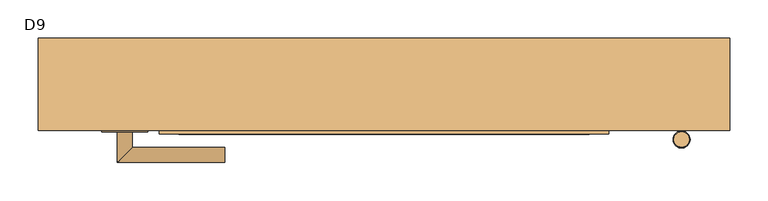
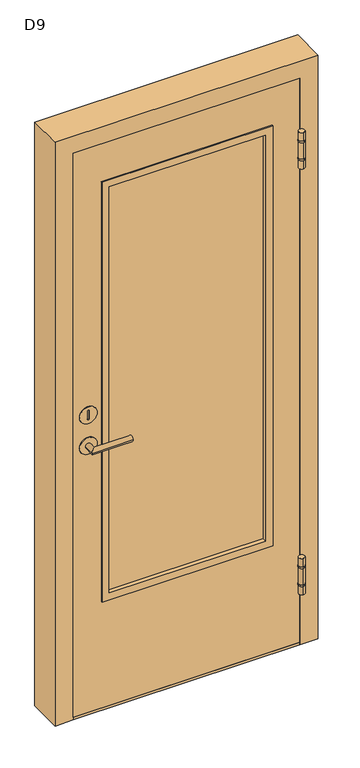
"""IFC4 building model written with IfcOpenShell, lengths in millimetres: door geometry, D9."""

from ifc_helpers import new_model, si_unit, point, frame, frame_2d, origin, origin_with_axes, place, context, project, spatial, polyline, circle_curve, ellipse_curve, trimmed, segment, composite_curve, outline, extrude, faceted_brep, source, transform, mapped, element, save
from ifc_brep_helpers import plane_surface, cylinder_surface, advanced_brep


def d9_f269e4dd(model_context):
    return source(origin(), model_context, "Body", "SolidModel", [
        advanced_brep(
        [(-340.1499435, -130.0, 974.5), (-360.1499435, -130.0, 974.5), (-340.1499435, -150.0, 974.5), (-360.1499435, -170.0, 974.5), (-220.1499435, -150.0, 974.5), (-220.1499435, -170.0, 974.5)],
        [
            (0, 1, circle_curve(frame((-350.1499435, -130.0, 974.5), z_axis=(0.0, 1.0, 0.0), x_axis=(-1.0, 0.0, 0.0)), 10.0)),
            (1, 0, circle_curve(frame((-350.1499435, -130.0, 974.5), z_axis=(0.0, 1.0, 0.0), x_axis=(-1.0, 0.0, 0.0)), 10.0)),
            (0, 2),
            (2, 3, ellipse_curve(frame((-350.1499435, -160.0, 974.5), z_axis=(-0.7071067811865546, 0.7071067811865405, 0.0), x_axis=(0.7071067811865405, 0.7071067811865545, 0.0)), 14.1421356, 10.0)),
            (3, 1),
            (3, 2, ellipse_curve(frame((-350.1499435, -160.0, 974.5), z_axis=(-0.7071067811865546, 0.7071067811865405, 0.0), x_axis=(0.7071067811865405, 0.7071067811865545, 0.0)), 14.1421356, 10.0)),
            (4, 5, circle_curve(frame((-220.1499435, -160.0, 974.5), z_axis=(1.0, 0.0, 0.0), x_axis=(0.0, -1.0, 0.0)), 10.0)),
            (5, 4, circle_curve(frame((-220.1499435, -160.0, 974.5), z_axis=(1.0, 0.0, 0.0), x_axis=(0.0, -1.0, 0.0)), 10.0)),
            (2, 4),
            (5, 3),
        ],
        [
            plane_surface(frame((-350.1499435, -130.0, 1030.0), z_axis=(0.0, 1.0, 0.0), x_axis=(0.0, 0.0, -1.0))),
            cylinder_surface(frame((-350.1499435, -130.0, 974.5), z_axis=(0.0, 1.0, 0.0), x_axis=(-1.0, 0.0, 0.0)), 10.0),
            plane_surface(frame((-220.1499435, -160.0, 1030.0), z_axis=(1.0, 0.0, 0.0), x_axis=(0.0, 0.0, -1.0))),
            cylinder_surface(frame((-350.1499435, -160.0, 974.5), z_axis=(-1.0, 0.0, 0.0), x_axis=(0.0, -1.0, 0.0)), 10.0),
        ],
        [
            (0, [[1, 2]]),
            (1, [[-1, 3, 4, 5]]),
            (1, [[-2, -5, 6, -3]]),
            (2, [[7, 8]]),
            (3, [[-4, 9, -8, 10]]),
            (3, [[-6, -10, -7, -9]]),
        ],
    ),
        extrude(outline(composite_curve([segment(trimmed(circle_curve(frame_2d((1085.5, -350.1499435)), 30.0), [point((1085.5, -380.1499435))], [point((1085.5, -320.1499435))], False, "CARTESIAN"), True, "CONTINUOUS"), segment(trimmed(circle_curve(frame_2d((1085.5, -350.1499435)), 30.0), [point((1085.5, -320.1499435))], [point((1085.5, -380.1499435))], False, "CARTESIAN"), True, "CONTINUOUS")], self_intersect=False), holes=[composite_curve([segment(polyline([(1099.6538884, -347.1499435), (1072.5, -347.1499435)]), True, "CONTINUOUS"), segment(trimmed(circle_curve(frame_2d((1072.5, -350.1499435)), 3.0), [point((1072.5, -347.1499435))], [point((1072.5, -353.1499435))], True, "CARTESIAN"), True, "CONTINUOUS"), segment(polyline([(1072.5, -353.1499435), (1099.6538884, -353.1499435)]), True, "CONTINUOUS"), segment(trimmed(circle_curve(frame_2d((1099.6538884, -350.1499435)), 3.0), [point((1099.6538884, -353.1499435))], [point((1099.6538884, -347.1499435))], True, "CARTESIAN"), True, "CONTINUOUS")], self_intersect=False)]), frame((0.0, -130.0, 0.0), z_axis=(0.0, 1.0, 0.0), x_axis=(0.0, 0.0, 1.0)), (0.0, 0.0, 1.0), 2.0),
        extrude(outline(composite_curve([segment(trimmed(circle_curve(frame_2d((974.5, -350.1499435)), 30.0), [point((974.5, -380.1499435))], [point((974.5, -320.1499435))], False, "CARTESIAN"), True, "CONTINUOUS"), segment(trimmed(circle_curve(frame_2d((974.5, -350.1499435)), 30.0), [point((974.5, -320.1499435))], [point((974.5, -380.1499435))], False, "CARTESIAN"), True, "CONTINUOUS")], self_intersect=False)), frame((0.0, -130.0, 0.0), z_axis=(0.0, 1.0, 0.0), x_axis=(0.0, 0.0, 1.0)), (0.0, 0.0, 1.0), 2.0),
        advanced_brep(
        [(-340.1499435, -66.0, 974.5), (-360.1499435, -66.0, 974.5), (-360.1499435, -26.0, 974.5), (-340.1499435, -46.0, 974.5), (-220.1499435, -46.0, 974.5), (-220.1499435, -26.0, 974.5)],
        [
            (0, 1, circle_curve(frame((-350.1499435, -66.0, 974.5), z_axis=(0.0, -1.0, 0.0), x_axis=(-1.0, 0.0, 0.0)), 10.0)),
            (1, 0, circle_curve(frame((-350.1499435, -66.0, 974.5), z_axis=(0.0, -1.0, 0.0), x_axis=(-1.0, 0.0, 0.0)), 10.0)),
            (1, 2),
            (2, 3, ellipse_curve(frame((-350.1499435, -36.0, 974.5), z_axis=(-0.7071067811865427, -0.7071067811865523, 0.0), x_axis=(0.7071067811865522, -0.7071067811865427, 0.0)), 14.1421356, 10.0)),
            (3, 0),
            (3, 2, ellipse_curve(frame((-350.1499435, -36.0, 974.5), z_axis=(-0.7071067811865427, -0.7071067811865523, 0.0), x_axis=(0.7071067811865522, -0.7071067811865427, 0.0)), 14.1421356, 10.0)),
            (4, 5, circle_curve(frame((-220.1499435, -36.0, 974.5), z_axis=(1.0, 0.0, 0.0), x_axis=(0.0, 1.0, 0.0)), 10.0)),
            (5, 4, circle_curve(frame((-220.1499435, -36.0, 974.5), z_axis=(1.0, 0.0, 0.0), x_axis=(0.0, 1.0, 0.0)), 10.0)),
            (2, 5),
            (4, 3),
        ],
        [
            plane_surface(frame((-350.1499435, -66.0, 1030.0), z_axis=(0.0, -1.0, 0.0), x_axis=(0.0, 0.0, -1.0))),
            cylinder_surface(frame((-350.1499435, -66.0, 974.5), z_axis=(0.0, -1.0, 0.0), x_axis=(-1.0, 0.0, 0.0)), 10.0),
            plane_surface(frame((-220.1499435, -36.0, 1030.0), z_axis=(1.0, 0.0, 0.0), x_axis=(0.0, 0.0, -1.0))),
            cylinder_surface(frame((-350.1499435, -36.0, 974.5), z_axis=(-1.0, 0.0, 0.0), x_axis=(0.0, 1.0, 0.0)), 10.0),
        ],
        [
            (0, [[1, 2]]),
            (1, [[3, 4, 5, -2]]),
            (1, [[-5, 6, -3, -1]]),
            (2, [[7, 8]]),
            (3, [[9, -7, 10, -4]]),
            (3, [[-10, -8, -9, -6]]),
        ],
    ),
        extrude(outline(composite_curve([segment(trimmed(circle_curve(frame_2d((1085.5, -350.1499435)), 30.0), [point((1085.5, -380.1499435))], [point((1085.5, -320.1499435))], False, "CARTESIAN"), True, "CONTINUOUS"), segment(trimmed(circle_curve(frame_2d((1085.5, -350.1499435)), 30.0), [point((1085.5, -320.1499435))], [point((1085.5, -380.1499435))], False, "CARTESIAN"), True, "CONTINUOUS")], self_intersect=False), holes=[composite_curve([segment(polyline([(1099.6538884, -347.1499435), (1072.5, -347.1499435)]), True, "CONTINUOUS"), segment(trimmed(circle_curve(frame_2d((1072.5, -350.1499435)), 3.0), [point((1072.5, -347.1499435))], [point((1072.5, -353.1499435))], True, "CARTESIAN"), True, "CONTINUOUS"), segment(polyline([(1072.5, -353.1499435), (1099.6538884, -353.1499435)]), True, "CONTINUOUS"), segment(trimmed(circle_curve(frame_2d((1099.6538884, -350.1499435)), 3.0), [point((1099.6538884, -353.1499435))], [point((1099.6538884, -347.1499435))], True, "CARTESIAN"), True, "CONTINUOUS")], self_intersect=False)]), frame((0.0, -68.0, 0.0), z_axis=(0.0, 1.0, 0.0), x_axis=(0.0, 0.0, 1.0)), (0.0, 0.0, 1.0), 2.0),
        extrude(outline(composite_curve([segment(trimmed(circle_curve(frame_2d((974.5, -350.1499435)), 30.0), [point((974.5, -380.1499435))], [point((974.5, -320.1499435))], False, "CARTESIAN"), True, "CONTINUOUS"), segment(trimmed(circle_curve(frame_2d((974.5, -350.1499435)), 30.0), [point((974.5, -320.1499435))], [point((974.5, -380.1499435))], False, "CARTESIAN"), True, "CONTINUOUS")], self_intersect=False)), frame((0.0, -68.0, 0.0), z_axis=(0.0, 1.0, 0.0), x_axis=(0.0, 0.0, 1.0)), (0.0, 0.0, 1.0), 2.0),
        extrude(outline(polyline([(2047.5, 374.8500565), (2047.5, -400.1499435), (10.0, -400.1499435), (10.0, 374.8500565), (2047.5, 374.8500565)]), holes=[polyline([(1897.5, -290.1499435), (1897.5, 264.8500565), (410.0, 264.8500565), (410.0, -290.1499435), (1897.5, -290.1499435)])]), frame((0.0, -128.0, 0.0), z_axis=(0.0, 1.0, 0.0), x_axis=(0.0, 0.0, 1.0)), (0.0, 0.0, 1.0), 60.0),
        faceted_brep([(-305.1499435, -128.0, 1912.5), (-305.1499435, -128.0, 395.0), (-305.1499435, -133.0, 395.0), (-305.1499435, -133.0, 1912.5), (-290.1499435, -118.0, 1897.5), (-290.1499435, -118.0, 410.0), (-290.1499435, -128.0, 410.0), (-290.1499435, -128.0, 1897.5), (-280.1499435, -133.0, 1887.5), (-280.1499435, -133.0, 420.0), (-280.1499435, -118.0, 420.0), (-280.1499435, -118.0, 1887.5), (279.8500565, -128.0, 395.0), (279.8500565, -133.0, 395.0), (264.8500565, -118.0, 410.0), (264.8500565, -128.0, 410.0), (254.8500565, -133.0, 420.0), (254.8500565, -118.0, 420.0), (279.8500565, -128.0, 1912.5), (279.8500565, -133.0, 1912.5), (264.8500565, -118.0, 1897.5), (264.8500565, -128.0, 1897.5), (254.8500565, -133.0, 1887.5), (254.8500565, -118.0, 1887.5)], [[[0, 1, 2, 3]], [[4, 5, 6, 7]], [[8, 9, 10, 11]], [[1, 12, 13, 2]], [[5, 14, 15, 6]], [[9, 16, 17, 10]], [[12, 18, 19, 13]], [[14, 20, 21, 15]], [[16, 22, 23, 17]], [[18, 0, 3, 19]], [[1, 0, 18, 12], [7, 6, 15, 21]], [[20, 4, 7, 21]], [[5, 4, 20, 14], [11, 10, 17, 23]], [[22, 8, 11, 23]], [[3, 2, 13, 19], [9, 8, 22, 16]]]),
        faceted_brep([(-280.1499435, -78.0, 1887.5), (-280.1499435, -78.0, 420.0), (-280.1499435, -63.0, 420.0), (-280.1499435, -63.0, 1887.5), (-290.1499435, -68.0, 1897.5), (-290.1499435, -68.0, 410.0), (-290.1499435, -78.0, 410.0), (-290.1499435, -78.0, 1897.5), (-305.1499435, -63.0, 1912.5), (-305.1499435, -63.0, 395.0), (-305.1499435, -68.0, 395.0), (-305.1499435, -68.0, 1912.5), (254.8500565, -78.0, 420.0), (254.8500565, -63.0, 420.0), (264.8500565, -68.0, 410.0), (264.8500565, -78.0, 410.0), (279.8500565, -63.0, 395.0), (279.8500565, -68.0, 395.0), (254.8500565, -78.0, 1887.5), (254.8500565, -63.0, 1887.5), (264.8500565, -68.0, 1897.5), (264.8500565, -78.0, 1897.5), (279.8500565, -63.0, 1912.5), (279.8500565, -68.0, 1912.5)], [[[0, 1, 2, 3]], [[4, 5, 6, 7]], [[8, 9, 10, 11]], [[1, 12, 13, 2]], [[5, 14, 15, 6]], [[9, 16, 17, 10]], [[12, 18, 19, 13]], [[14, 20, 21, 15]], [[16, 22, 23, 17]], [[9, 8, 22, 16], [3, 2, 13, 19]], [[18, 0, 3, 19]], [[7, 6, 15, 21], [1, 0, 18, 12]], [[20, 4, 7, 21]], [[11, 10, 17, 23], [5, 4, 20, 14]], [[22, 8, 11, 23]]]),
        extrude(outline(polyline([(264.8500565, -78.0), (264.8500565, -118.0), (-290.1499435, -118.0), (-290.1499435, -78.0), (264.8500565, -78.0)])), frame((0.0, 0.0, 410.0), z_axis=(0.0, 0.0, 1.0), x_axis=(1.0, 0.0, 0.0)), (0.0, 0.0, 1.0), 1487.5),
        advanced_brep(
        [(374.8500565, -130.0, 326.0), (374.8500565, -150.0, 326.0), (374.8500565, -130.0, 195.0), (374.8500565, -150.0, 195.0), (374.8500565, -130.0, 225.5), (374.8500565, -150.0, 225.5), (374.8500565, -130.0, 230.5), (374.8500565, -130.0, 290.5), (374.8500565, -150.0, 290.5), (374.8500565, -150.0, 230.5), (374.8500565, -150.0, 295.5), (374.8500565, -130.0, 295.5), (363.8500565, -140.0, 230.5), (385.8500565, -140.0, 230.5), (363.8500565, -140.0, 225.5), (385.8500565, -140.0, 225.5), (363.8500565, -140.0, 290.5), (385.8500565, -140.0, 290.5), (363.8500565, -140.0, 295.5), (385.8500565, -140.0, 295.5)],
        [
            (0, 1, circle_curve(frame((374.8500565, -140.0, 326.0), z_axis=(0.0, 0.0, 1.0), x_axis=(0.0, -1.0, 0.0)), 10.0)),
            (1, 0, circle_curve(frame((374.8500565, -140.0, 326.0), z_axis=(0.0, 0.0, 1.0), x_axis=(0.0, -1.0, 0.0)), 10.0)),
            (2, 3, circle_curve(frame((374.8500565, -140.0, 195.0), z_axis=(0.0, 0.0, -1.0), x_axis=(0.0, -1.0, 0.0)), 10.0)),
            (3, 2, circle_curve(frame((374.8500565, -140.0, 195.0), z_axis=(0.0, 0.0, -1.0), x_axis=(0.0, -1.0, 0.0)), 10.0)),
            (2, 4),
            (4, 5, circle_curve(frame((374.8500565, -140.0, 225.5), z_axis=(0.0, 0.0, -1.0), x_axis=(0.0, -1.0, 0.0)), 10.0)),
            (5, 3),
            (6, 7),
            (7, 8, circle_curve(frame((374.8500565, -140.0, 290.5), z_axis=(0.0, 0.0, -1.0), x_axis=(0.0, -1.0, 0.0)), 10.0)),
            (8, 9),
            (9, 6, circle_curve(frame((374.8500565, -140.0, 230.5), z_axis=(0.0, 0.0, 1.0), x_axis=(0.0, -1.0, 0.0)), 10.0)),
            (1, 10),
            (10, 11, circle_curve(frame((374.8500565, -140.0, 295.5), z_axis=(0.0, 0.0, 1.0), x_axis=(0.0, -1.0, 0.0)), 10.0)),
            (11, 0),
            (11, 10, circle_curve(frame((374.8500565, -140.0, 295.5), z_axis=(0.0, 0.0, 1.0), x_axis=(0.0, -1.0, 0.0)), 10.0)),
            (5, 4, circle_curve(frame((374.8500565, -140.0, 225.5), z_axis=(0.0, 0.0, -1.0), x_axis=(0.0, -1.0, 0.0)), 10.0)),
            (8, 7, circle_curve(frame((374.8500565, -140.0, 290.5), z_axis=(0.0, 0.0, -1.0), x_axis=(0.0, -1.0, 0.0)), 10.0)),
            (6, 9, circle_curve(frame((374.8500565, -140.0, 230.5), z_axis=(0.0, 0.0, 1.0), x_axis=(0.0, -1.0, 0.0)), 10.0)),
            (12, 13, circle_curve(frame((374.8500565, -140.0, 230.5), z_axis=(0.0, 0.0, 1.0), x_axis=(1.0, 0.0, 0.0)), 11.0)),
            (13, 12, circle_curve(frame((374.8500565, -140.0, 230.5), z_axis=(0.0, 0.0, 1.0), x_axis=(1.0, 0.0, 0.0)), 11.0)),
            (14, 15, circle_curve(frame((374.8500565, -140.0, 225.5), z_axis=(0.0, 0.0, -1.0), x_axis=(1.0, 0.0, 0.0)), 11.0)),
            (15, 14, circle_curve(frame((374.8500565, -140.0, 225.5), z_axis=(0.0, 0.0, -1.0), x_axis=(1.0, 0.0, 0.0)), 11.0)),
            (13, 15),
            (14, 12),
            (16, 17, circle_curve(frame((374.8500565, -140.0, 290.5), z_axis=(0.0, 0.0, -1.0), x_axis=(1.0, 0.0, 0.0)), 11.0)),
            (17, 16, circle_curve(frame((374.8500565, -140.0, 290.5), z_axis=(0.0, 0.0, -1.0), x_axis=(1.0, 0.0, 0.0)), 11.0)),
            (18, 19, circle_curve(frame((374.8500565, -140.0, 295.5), z_axis=(0.0, 0.0, 1.0), x_axis=(1.0, 0.0, 0.0)), 11.0)),
            (19, 18, circle_curve(frame((374.8500565, -140.0, 295.5), z_axis=(0.0, 0.0, 1.0), x_axis=(1.0, 0.0, 0.0)), 11.0)),
            (16, 18),
            (19, 17),
        ],
        [
            plane_surface(frame((374.8500565, -140.0, 326.0), z_axis=(0.0, 0.0, 1.0), x_axis=(1.0, 0.0, 0.0))),
            plane_surface(frame((374.8500565, -140.0, 195.0), z_axis=(0.0, 0.0, -1.0), x_axis=(1.0, 0.0, 0.0))),
            cylinder_surface(frame((374.8500565, -140.0, 326.0), z_axis=(0.0, 0.0, 1.0), x_axis=(0.0, -1.0, 0.0)), 10.0),
            plane_surface(frame((385.8500565, -140.0, 230.5), z_axis=(0.0, 0.0, 1.0), x_axis=(0.0, -1.0, 0.0))),
            plane_surface(frame((385.8500565, -140.0, 225.5), z_axis=(0.0, 0.0, -1.0), x_axis=(0.0, 1.0, 0.0))),
            cylinder_surface(frame((374.8500565, -140.0, 225.5), z_axis=(0.0, 0.0, 1.0), x_axis=(1.0, 0.0, 0.0)), 11.0),
            plane_surface(frame((385.8500565, -140.0, 290.5), z_axis=(0.0, 0.0, -1.0), x_axis=(0.0, 1.0, 0.0))),
            plane_surface(frame((385.8500565, -140.0, 295.5), z_axis=(0.0, 0.0, 1.0), x_axis=(0.0, -1.0, 0.0))),
            cylinder_surface(frame((374.8500565, -140.0, 295.5), z_axis=(0.0, 0.0, -1.0), x_axis=(1.0, 0.0, 0.0)), 11.0),
        ],
        [
            (0, [[1, 2]]),
            (1, [[3, 4]]),
            (2, [[5, 6, 7, -3]]),
            (2, [[8, 9, 10, 11]]),
            (2, [[12, 13, 14, -2]]),
            (2, [[-14, 15, -12, -1]]),
            (2, [[-7, 16, -5, -4]]),
            (2, [[-10, 17, -8, 18]]),
            (3, [[19, 20], [-18, -11]]),
            (4, [[21, 22], [-16, -6]]),
            (5, [[23, -21, 24, -20]]),
            (5, [[-24, -22, -23, -19]]),
            (6, [[25, 26], [-17, -9]]),
            (7, [[27, 28], [-15, -13]]),
            (8, [[29, -28, 30, -25]]),
            (8, [[-30, -27, -29, -26]]),
        ],
    ),
        advanced_brep(
        [(374.8500565, -130.0, 1734.0), (374.8500565, -150.0, 1734.0), (374.8500565, -130.0, 1865.0), (374.8500565, -150.0, 1865.0), (374.8500565, -130.0, 1834.5), (374.8500565, -150.0, 1834.5), (374.8500565, -130.0, 1829.5), (374.8500565, -130.0, 1769.5), (374.8500565, -150.0, 1769.5), (374.8500565, -150.0, 1829.5), (374.8500565, -150.0, 1764.5), (374.8500565, -130.0, 1764.5), (385.8500565, -140.0, 1829.5), (363.8500565, -140.0, 1829.5), (385.8500565, -140.0, 1834.5), (363.8500565, -140.0, 1834.5), (385.8500565, -140.0, 1769.5), (363.8500565, -140.0, 1769.5), (385.8500565, -140.0, 1764.5), (363.8500565, -140.0, 1764.5)],
        [
            (0, 1, circle_curve(frame((374.8500565, -140.0, 1734.0), z_axis=(0.0, 0.0, -1.0), x_axis=(0.0, -1.0, 0.0)), 10.0)),
            (1, 0, circle_curve(frame((374.8500565, -140.0, 1734.0), z_axis=(0.0, 0.0, -1.0), x_axis=(0.0, -1.0, 0.0)), 10.0)),
            (2, 3, circle_curve(frame((374.8500565, -140.0, 1865.0), z_axis=(0.0, 0.0, 1.0), x_axis=(0.0, -1.0, 0.0)), 10.0)),
            (3, 2, circle_curve(frame((374.8500565, -140.0, 1865.0), z_axis=(0.0, 0.0, 1.0), x_axis=(0.0, -1.0, 0.0)), 10.0)),
            (2, 4),
            (4, 5, circle_curve(frame((374.8500565, -140.0, 1834.5), z_axis=(0.0, 0.0, 1.0), x_axis=(0.0, -1.0, 0.0)), 10.0)),
            (5, 3),
            (6, 7),
            (7, 8, circle_curve(frame((374.8500565, -140.0, 1769.5), z_axis=(0.0, 0.0, 1.0), x_axis=(0.0, -1.0, 0.0)), 10.0)),
            (8, 9),
            (9, 6, circle_curve(frame((374.8500565, -140.0, 1829.5), z_axis=(0.0, 0.0, -1.0), x_axis=(0.0, -1.0, 0.0)), 10.0)),
            (1, 10),
            (10, 11, circle_curve(frame((374.8500565, -140.0, 1764.5), z_axis=(0.0, 0.0, -1.0), x_axis=(0.0, -1.0, 0.0)), 10.0)),
            (11, 0),
            (11, 10, circle_curve(frame((374.8500565, -140.0, 1764.5), z_axis=(0.0, 0.0, -1.0), x_axis=(0.0, -1.0, 0.0)), 10.0)),
            (5, 4, circle_curve(frame((374.8500565, -140.0, 1834.5), z_axis=(0.0, 0.0, 1.0), x_axis=(0.0, -1.0, 0.0)), 10.0)),
            (8, 7, circle_curve(frame((374.8500565, -140.0, 1769.5), z_axis=(0.0, 0.0, 1.0), x_axis=(0.0, -1.0, 0.0)), 10.0)),
            (6, 9, circle_curve(frame((374.8500565, -140.0, 1829.5), z_axis=(0.0, 0.0, -1.0), x_axis=(0.0, -1.0, 0.0)), 10.0)),
            (12, 13, circle_curve(frame((374.8500565, -140.0, 1829.5), z_axis=(0.0, 0.0, -1.0), x_axis=(-1.0, 0.0, 0.0)), 11.0)),
            (13, 12, circle_curve(frame((374.8500565, -140.0, 1829.5), z_axis=(0.0, 0.0, -1.0), x_axis=(-1.0, 0.0, 0.0)), 11.0)),
            (14, 15, circle_curve(frame((374.8500565, -140.0, 1834.5), z_axis=(0.0, 0.0, 1.0), x_axis=(-1.0, 0.0, 0.0)), 11.0)),
            (15, 14, circle_curve(frame((374.8500565, -140.0, 1834.5), z_axis=(0.0, 0.0, 1.0), x_axis=(-1.0, 0.0, 0.0)), 11.0)),
            (13, 15),
            (14, 12),
            (16, 17, circle_curve(frame((374.8500565, -140.0, 1769.5), z_axis=(0.0, 0.0, 1.0), x_axis=(-1.0, 0.0, 0.0)), 11.0)),
            (17, 16, circle_curve(frame((374.8500565, -140.0, 1769.5), z_axis=(0.0, 0.0, 1.0), x_axis=(-1.0, 0.0, 0.0)), 11.0)),
            (18, 19, circle_curve(frame((374.8500565, -140.0, 1764.5), z_axis=(0.0, 0.0, -1.0), x_axis=(-1.0, 0.0, 0.0)), 11.0)),
            (19, 18, circle_curve(frame((374.8500565, -140.0, 1764.5), z_axis=(0.0, 0.0, -1.0), x_axis=(-1.0, 0.0, 0.0)), 11.0)),
            (16, 18),
            (19, 17),
        ],
        [
            plane_surface(frame((374.8500565, -140.0, 1734.0), z_axis=(0.0, 0.0, -1.0), x_axis=(-1.0, 0.0, 0.0))),
            plane_surface(frame((374.8500565, -140.0, 1865.0), z_axis=(0.0, 0.0, 1.0), x_axis=(-1.0, 0.0, 0.0))),
            cylinder_surface(frame((374.8500565, -140.0, 1734.0), z_axis=(0.0, 0.0, -1.0), x_axis=(0.0, -1.0, 0.0)), 10.0),
            plane_surface(frame((363.8500565, -140.0, 1829.5), z_axis=(0.0, 0.0, -1.0), x_axis=(0.0, -1.0, 0.0))),
            plane_surface(frame((363.8500565, -140.0, 1834.5), z_axis=(0.0, 0.0, 1.0), x_axis=(0.0, 1.0, 0.0))),
            cylinder_surface(frame((374.8500565, -140.0, 1834.5), z_axis=(0.0, 0.0, -1.0), x_axis=(-1.0, 0.0, 0.0)), 11.0),
            plane_surface(frame((363.8500565, -140.0, 1769.5), z_axis=(0.0, 0.0, 1.0), x_axis=(0.0, 1.0, 0.0))),
            plane_surface(frame((363.8500565, -140.0, 1764.5), z_axis=(0.0, 0.0, -1.0), x_axis=(0.0, -1.0, 0.0))),
            cylinder_surface(frame((374.8500565, -140.0, 1764.5), z_axis=(0.0, 0.0, 1.0), x_axis=(-1.0, 0.0, 0.0)), 11.0),
        ],
        [
            (0, [[1, 2]]),
            (1, [[3, 4]]),
            (2, [[5, 6, 7, -3]]),
            (2, [[8, 9, 10, 11]]),
            (2, [[12, 13, 14, -2]]),
            (2, [[-14, 15, -12, -1]]),
            (2, [[-7, 16, -5, -4]]),
            (2, [[-10, 17, -8, 18]]),
            (3, [[19, 20], [-18, -11]]),
            (4, [[21, 22], [-16, -6]]),
            (5, [[23, -21, 24, -20]]),
            (5, [[-24, -22, -23, -19]]),
            (6, [[25, 26], [-17, -9]]),
            (7, [[27, 28], [-15, -13]]),
            (8, [[29, -28, 30, -25]]),
            (8, [[-30, -27, -29, -26]]),
        ],
    ),
        extrude(outline(polyline([(2110.0, 437.3500565), (2110.0, -462.6499435), (0.0, -462.6499435), (0.0, -400.1499435), (2047.5, -400.1499435), (2047.5, 374.8500565), (0.0, 374.8500565), (0.0, 437.3500565), (2110.0, 437.3500565)])), frame((0.0, -128.0, 0.0), z_axis=(0.0, 1.0, 0.0), x_axis=(0.0, 0.0, 1.0)), (0.0, 0.0, 1.0), 120.0),
        extrude(outline(polyline([(-400.1499435, -8.0), (374.8500565, -8.0), (374.8500565, -128.0), (-400.1499435, -128.0), (-400.1499435, -8.0)])), origin_with_axes(), (0.0, 0.0, 1.0), 10.0),
    ])


if __name__ == "__main__":
    model = new_model("IFC4")
    model_context = context("Model", 3, world=origin())
    ifc_project = project(units=[si_unit("LENGTHUNIT", "METRE", prefix="MILLI")], contexts=[model_context])
    site = spatial("IfcSite", under=ifc_project)
    building = spatial("IfcBuilding", under=site)
    placement = place(None, origin())
    d9_shape = d9_f269e4dd(model_context)
    element("IfcDoor", 1, ObjectType="D9", at=placement, inside=building, context=model_context, shape_type="MappedRepresentation", body=[
        mapped(d9_shape, transform((0.0, 0.0, 0.0), x_axis=(1.0, 0.0, 0.0), y_axis=(0.0, 1.0, 0.0), z_axis=(0.0, 0.0, 1.0))),
    ])
    save(model, "model.ifc")
